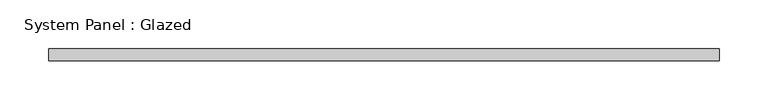
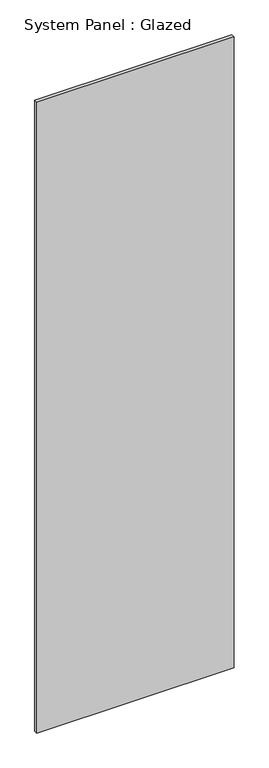
"""IFC4 building model written with IfcOpenShell, lengths in millimetres: plate geometry, System Panel : Glazed."""

from ifc_helpers import new_model, si_unit, origin, origin_with_axes, place, context, project, spatial, polyline, outline, extrude, source, transform, mapped, element, save


def system_panel_glazed_649425b4(model_context):
    return source(origin(), model_context, "Body", "SweptSolid", [
        extrude(outline(polyline([(343.3333333, -6.0), (-343.3333333, -6.0), (-343.3333333, 6.0), (343.3333333, 6.0), (343.3333333, -6.0)])), origin_with_axes(), (0.0, 0.0, 1.0), 2320.0),
    ])


if __name__ == "__main__":
    model = new_model("IFC4")
    model_context = context("Model", 3, world=origin())
    ifc_project = project(units=[si_unit("LENGTHUNIT", "METRE", prefix="MILLI")], contexts=[model_context])
    site = spatial("IfcSite", under=ifc_project)
    building = spatial("IfcBuilding", under=site)
    placement = place(None, origin())
    system_panel_glazed_shape = system_panel_glazed_649425b4(model_context)
    element("IfcPlate", 1, ObjectType="System Panel : Glazed", at=placement, inside=building, context=model_context, shape_type="MappedRepresentation", body=[
        mapped(system_panel_glazed_shape, transform((0.0, 0.0, 0.0), x_axis=(1.0, 0.0, 0.0), y_axis=(0.0, 1.0, 0.0), z_axis=(0.0, 0.0, 1.0))),
    ])
    save(model, "model.ifc")
